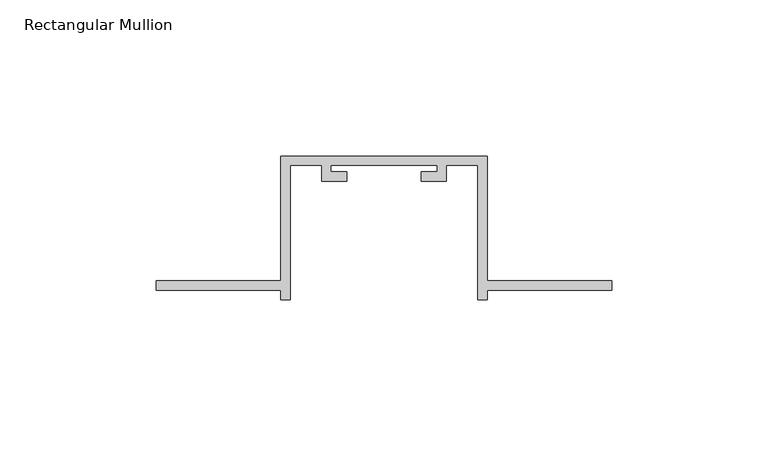
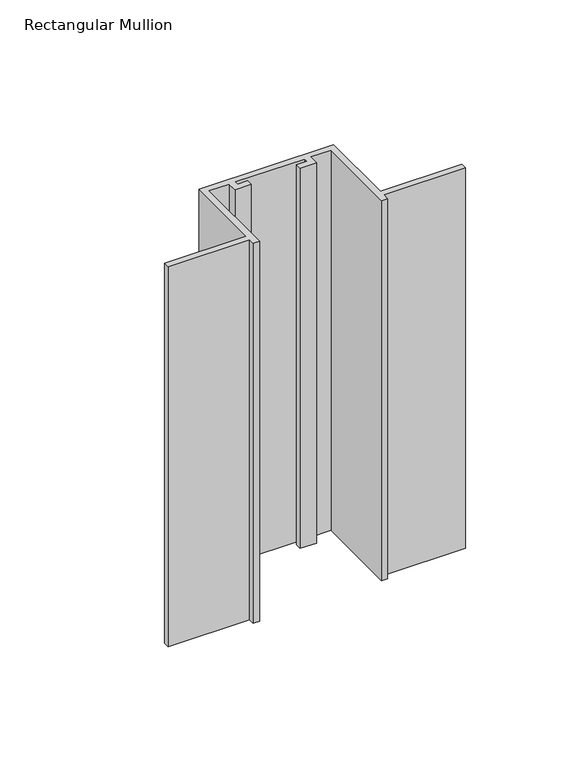
"""IFC4 building model written with IfcOpenShell, lengths in millimetres: member geometry, Rectangular Mullion."""

from ifc_helpers import new_model, si_unit, frame, origin, place, context, project, spatial, polyline, outline, extrude, source, transform, mapped, element, save


def rectangular_mullion_66df148c(model_context):
    return source(origin(), model_context, "Body", "SweptSolid", [
        extrude(outline(polyline([(-33.0, -132.0), (-73.0, -132.0), (-73.0, -129.0), (-33.0, -129.0), (-33.0, -89.0), (33.0, -89.0), (33.0, -129.0), (73.0, -129.0), (73.0, -132.0), (33.0, -132.0), (33.0, -135.0), (30.0, -135.0), (30.0, -92.0), (20.0, -92.0), (20.0, -97.0), (12.0, -97.0), (12.0, -94.0), (17.0, -94.0), (17.0, -92.0), (-17.0, -92.0), (-17.0, -94.0), (-12.0, -94.0), (-12.0, -97.0), (-20.0, -97.0), (-20.0, -92.0), (-30.0, -92.0), (-30.0, -135.0), (-33.0, -135.0), (-33.0, -132.0)])), frame((0.0, 0.0, -197.1692572), z_axis=(0.0, 0.0, 1.0), x_axis=(1.0, 0.0, 0.0)), (0.0, 0.0, 1.0), 197.1692572),
    ])


if __name__ == "__main__":
    model = new_model("IFC4")
    model_context = context("Model", 3, world=origin())
    ifc_project = project(units=[si_unit("LENGTHUNIT", "METRE", prefix="MILLI")], contexts=[model_context])
    site = spatial("IfcSite", under=ifc_project)
    building = spatial("IfcBuilding", under=site)
    placement = place(None, origin())
    rectangular_mullion_shape = rectangular_mullion_66df148c(model_context)
    element("IfcMember", 1, ObjectType="Rectangular Mullion", at=placement, inside=building, context=model_context, shape_type="MappedRepresentation", body=[
        mapped(rectangular_mullion_shape, transform((0.0, 0.0, 0.0), x_axis=(1.0, 0.0, 0.0), y_axis=(0.0, 1.0, 0.0), z_axis=(0.0, 0.0, 1.0))),
    ])
    save(model, "model.ifc")
